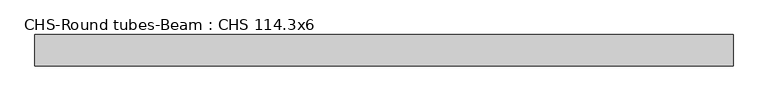
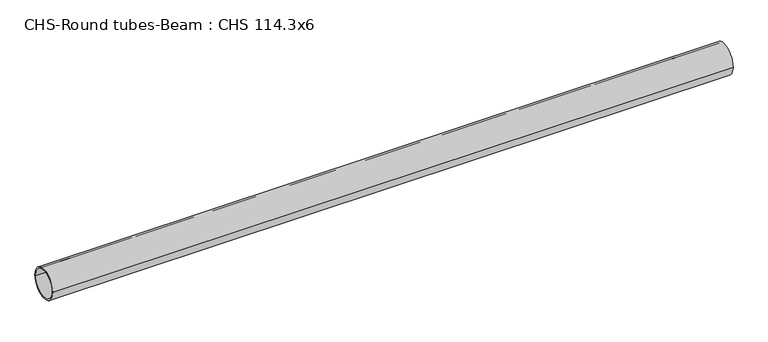
"""IFC4 building model written with IfcOpenShell, lengths in millimetres: beam geometry, CHS-Round tubes-Beam : CHS 114.3x6."""

from ifc_helpers import new_model, si_unit, point, frame, origin, origin_2d, place, context, project, spatial, circle_curve, trimmed, segment, composite_curve, outline, extrude, source, transform, mapped, element, save


def chs_round_tubes_beam_chs_114_3x6_28375328(model_context):
    return source(origin(), model_context, "Body", "SweptSolid", [
        extrude(outline(composite_curve([segment(trimmed(circle_curve(origin_2d(), 57.15), [point((57.15, 0.0))], [point((-57.15, 0.0))], False, "CARTESIAN"), True, "CONTINUOUS"), segment(trimmed(circle_curve(origin_2d(), 57.15), [point((-57.15, 0.0))], [point((57.15, 0.0))], False, "CARTESIAN"), True, "CONTINUOUS")], self_intersect=False), holes=[composite_curve([segment(trimmed(circle_curve(origin_2d(), 51.15), [point((51.15, 0.0))], [point((-51.15, 0.0))], True, "CARTESIAN"), True, "CONTINUOUS"), segment(trimmed(circle_curve(origin_2d(), 51.15), [point((-51.15, 0.0))], [point((51.15, 0.0))], True, "CARTESIAN"), True, "CONTINUOUS")], self_intersect=False)]), frame((-1272.0668998, 0.0, 0.0), z_axis=(1.0, 0.0, 0.0), x_axis=(0.0, 1.0, 0.0)), (0.0, 0.0, 1.0), 2534.0544068),
    ])


if __name__ == "__main__":
    model = new_model("IFC4")
    model_context = context("Model", 3, world=origin())
    ifc_project = project(units=[si_unit("LENGTHUNIT", "METRE", prefix="MILLI")], contexts=[model_context])
    site = spatial("IfcSite", under=ifc_project)
    building = spatial("IfcBuilding", under=site)
    placement = place(None, origin())
    chs_round_tubes_beam_chs_114_3x6_shape = chs_round_tubes_beam_chs_114_3x6_28375328(model_context)
    element("IfcBeam", 1, ObjectType="CHS-Round tubes-Beam : CHS 114.3x6", at=placement, inside=building, context=model_context, shape_type="MappedRepresentation", body=[
        mapped(chs_round_tubes_beam_chs_114_3x6_shape, transform((0.0, 0.0, 0.0), x_axis=(1.0, 0.0, 0.0), y_axis=(0.0, 1.0, 0.0), z_axis=(0.0, 0.0, 1.0))),
    ])
    save(model, "model.ifc")
